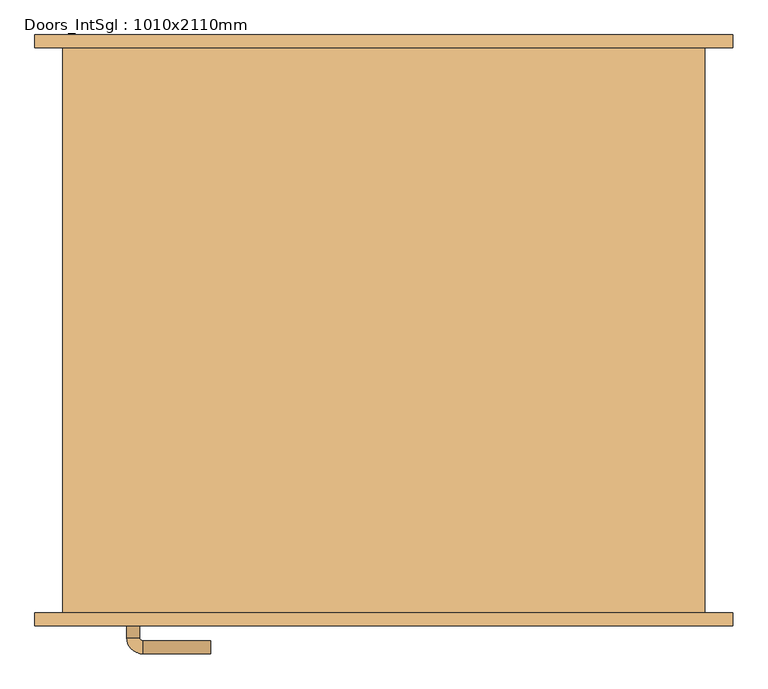
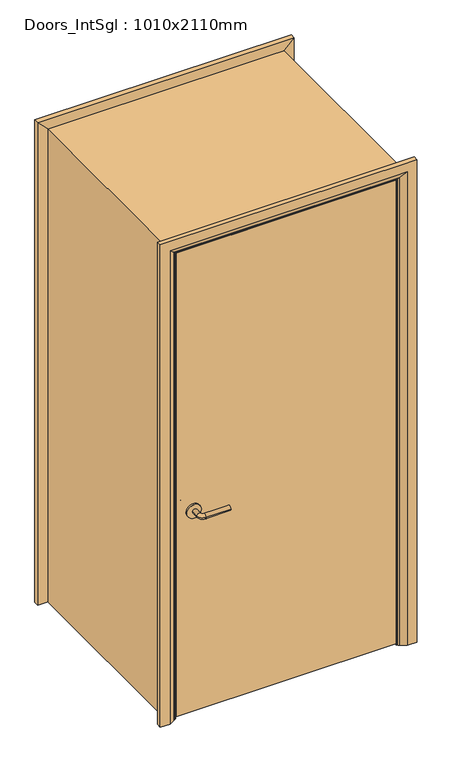
"""IFC4 building model written with IfcOpenShell, lengths in millimetres: door geometry, Doors_IntSgl : 1010x2110mm."""

from ifc_helpers import new_model, si_unit, point, frame, frame_2d, origin, place, context, project, spatial, polyline, circle_curve, ellipse_curve, trimmed, segment, composite_curve, outline, extrude, faceted_brep, source, transform, mapped, element, save
from ifc_brep_helpers import plane_surface, cylinder_surface, revolved_surface, advanced_brep


def doors_intsgl_1010x2110mm_a89b22ba(model_context):
    return source(origin(), model_context, "Body", "SolidModel", [
        advanced_brep(
        [(-398.0, -391.35, 900.0), (-378.0, -391.35, 900.0), (-398.0, -361.35, 900.0), (-378.0, -361.35, 900.0), (-373.0, -356.35, 900.0), (-373.0, -336.35, 900.0), (-268.0, -336.35, 900.0), (-268.0, -356.35, 900.0)],
        [
            (0, 1, circle_curve(frame((-388.0, -391.35, 900.0), z_axis=(0.0, -1.0, 0.0), x_axis=(1.0, 0.0, 0.0)), 10.0)),
            (1, 0, circle_curve(frame((-388.0, -391.35, 900.0), z_axis=(0.0, -1.0, 0.0), x_axis=(1.0, 0.0, 0.0)), 10.0)),
            (0, 2),
            (2, 3, circle_curve(frame((-388.0, -361.35, 900.0), z_axis=(0.0, -1.0, 0.0), x_axis=(1.0, 0.0, 0.0)), 10.0)),
            (3, 1),
            (3, 2, circle_curve(frame((-388.0, -361.35, 900.0), z_axis=(0.0, -1.0, 0.0), x_axis=(1.0, 0.0, 0.0)), 10.0)),
            (4, 3, circle_curve(frame((-373.0, -361.35, 900.0), z_axis=(0.0, 0.0, 1.0), x_axis=(-1.0, 0.0, 0.0)), 5.0)),
            (2, 5, circle_curve(frame((-373.0, -361.35, 900.0), z_axis=(0.0, 0.0, -1.0), x_axis=(-1.0, 0.0, 0.0)), 25.0)),
            (5, 4, circle_curve(frame((-373.0, -346.35, 900.0), z_axis=(-1.0, 0.0, 0.0), x_axis=(0.0, -1.0, 0.0)), 10.0)),
            (4, 5, circle_curve(frame((-373.0, -346.35, 900.0), z_axis=(-1.0, 0.0, 0.0), x_axis=(0.0, -1.0, 0.0)), 10.0)),
            (6, 7, circle_curve(frame((-268.0, -346.35, 900.0), z_axis=(1.0, 0.0, 0.0), x_axis=(0.0, -1.0, 0.0)), 10.0)),
            (7, 6, circle_curve(frame((-268.0, -346.35, 900.0), z_axis=(1.0, 0.0, 0.0), x_axis=(0.0, -1.0, 0.0)), 10.0)),
            (5, 6),
            (7, 4),
        ],
        [
            plane_surface(frame((-388.0, -391.35, 900.0), z_axis=(0.0, -1.0, 0.0), x_axis=(0.0, 0.0, 1.0))),
            cylinder_surface(frame((-388.0, -391.35, 900.0), z_axis=(0.0, -1.0, 0.0), x_axis=(1.0, 0.0, 0.0)), 10.0),
            revolved_surface(trimmed(ellipse_curve(frame((-388.0, -361.35, 900.0), z_axis=(0.0, -1.0, 0.0), x_axis=(1.0, 0.0, 0.0)), 10.0, 10.0), [point((-398.0, -361.35, 900.0))], [point((-378.0, -361.35, 900.0))], True, "CARTESIAN"), (-373.0, -361.35, 900.0), (0.0, 0.0, -1.0)),
            revolved_surface(trimmed(ellipse_curve(frame((-388.0, -361.35, 900.0), z_axis=(0.0, -1.0, 0.0), x_axis=(1.0, 0.0, 0.0)), 10.0, 10.0), [point((-378.0, -361.35, 900.0))], [point((-398.0, -361.35, 900.0))], True, "CARTESIAN"), (-373.0, -361.35, 900.0), (0.0, 0.0, -1.0)),
            plane_surface(frame((-268.0, -346.35, 900.0), z_axis=(1.0, 0.0, 0.0), x_axis=(0.0, 0.0, 1.0))),
            cylinder_surface(frame((-373.0, -346.35, 900.0), z_axis=(-1.0, 0.0, 0.0), x_axis=(0.0, -1.0, 0.0)), 10.0),
        ],
        [
            (0, [[1, 2]]),
            (1, [[-1, 3, 4, 5]]),
            (1, [[-2, -5, 6, -3]]),
            (2, [[7, -4, 8, 9]]),
            (3, [[-8, -6, -7, 10]]),
            (4, [[11, 12]]),
            (5, [[-9, 13, -12, 14]]),
            (5, [[-10, -14, -11, -13]]),
        ],
    ),
        extrude(outline(composite_curve([segment(trimmed(circle_curve(frame_2d((900.0, -390.5)), 30.0), [point((900.0, -420.5))], [point((900.0, -360.5))], False, "CARTESIAN"), True, "CONTINUOUS"), segment(trimmed(circle_curve(frame_2d((900.0, -390.5)), 30.0), [point((900.0, -360.5))], [point((900.0, -420.5))], False, "CARTESIAN"), True, "CONTINUOUS")], self_intersect=False)), frame((0.0, -399.35, 0.0), z_axis=(0.0, 1.0, 0.0), x_axis=(0.0, 0.0, 1.0)), (0.0, 0.0, 1.0), 8.0),
        advanced_brep(
        [(-398.0, -445.35, 900.0), (-378.0, -445.35, 900.0), (-378.0, -475.35, 900.0), (-398.0, -475.35, 900.0), (-373.0, -480.35, 900.0), (-373.0, -500.35, 900.0), (-268.0, -500.35, 900.0), (-268.0, -480.35, 900.0)],
        [
            (0, 1, circle_curve(frame((-388.0, -445.35, 900.0), z_axis=(0.0, 1.0, 0.0), x_axis=(1.0, 0.0, 0.0)), 10.0)),
            (1, 0, circle_curve(frame((-388.0, -445.35, 900.0), z_axis=(0.0, 1.0, 0.0), x_axis=(1.0, 0.0, 0.0)), 10.0)),
            (1, 2),
            (2, 3, circle_curve(frame((-388.0, -475.35, 900.0), z_axis=(0.0, 1.0, 0.0), x_axis=(1.0, 0.0, 0.0)), 10.0)),
            (3, 0),
            (3, 2, circle_curve(frame((-388.0, -475.35, 900.0), z_axis=(0.0, 1.0, 0.0), x_axis=(1.0, 0.0, 0.0)), 10.0)),
            (4, 5, circle_curve(frame((-373.0, -490.35, 900.0), z_axis=(-1.0, 0.0, 0.0), x_axis=(0.0, 1.0, 0.0)), 10.0)),
            (5, 3, circle_curve(frame((-373.0, -475.35, 900.0), z_axis=(0.0, 0.0, -1.0), x_axis=(-1.0, 0.0, 0.0)), 25.0)),
            (2, 4, circle_curve(frame((-373.0, -475.35, 900.0), z_axis=(0.0, 0.0, 1.0), x_axis=(-1.0, 0.0, 0.0)), 5.0)),
            (5, 4, circle_curve(frame((-373.0, -490.35, 900.0), z_axis=(-1.0, 0.0, 0.0), x_axis=(0.0, 1.0, 0.0)), 10.0)),
            (6, 7, circle_curve(frame((-268.0, -490.35, 900.0), z_axis=(1.0, 0.0, 0.0), x_axis=(0.0, 1.0, 0.0)), 10.0)),
            (7, 6, circle_curve(frame((-268.0, -490.35, 900.0), z_axis=(1.0, 0.0, 0.0), x_axis=(0.0, 1.0, 0.0)), 10.0)),
            (4, 7),
            (6, 5),
        ],
        [
            plane_surface(frame((-388.0, -445.35, 900.0), z_axis=(0.0, 1.0, 0.0), x_axis=(0.0, 0.0, 1.0))),
            cylinder_surface(frame((-388.0, -445.35, 900.0), z_axis=(0.0, 1.0, 0.0), x_axis=(1.0, 0.0, 0.0)), 10.0),
            revolved_surface(trimmed(ellipse_curve(frame((-388.0, -475.35, 900.0), z_axis=(0.0, -1.0, 0.0), x_axis=(1.0, 0.0, 0.0)), 10.0, 10.0), [point((-398.0, -475.35, 900.0))], [point((-378.0, -475.35, 900.0))], True, "CARTESIAN"), (-373.0, -475.35, 900.0), (0.0, 0.0, -1.0)),
            revolved_surface(trimmed(ellipse_curve(frame((-388.0, -475.35, 900.0), z_axis=(0.0, -1.0, 0.0), x_axis=(1.0, 0.0, 0.0)), 10.0, 10.0), [point((-378.0, -475.35, 900.0))], [point((-398.0, -475.35, 900.0))], True, "CARTESIAN"), (-373.0, -475.35, 900.0), (0.0, 0.0, -1.0)),
            plane_surface(frame((-268.0, -490.35, 900.0), z_axis=(1.0, 0.0, 0.0), x_axis=(0.0, 0.0, 1.0))),
            cylinder_surface(frame((-373.0, -490.35, 900.0), z_axis=(-1.0, 0.0, 0.0), x_axis=(0.0, 1.0, 0.0)), 10.0),
        ],
        [
            (0, [[1, 2]]),
            (1, [[3, 4, 5, -2]]),
            (1, [[-5, 6, -3, -1]]),
            (2, [[7, 8, -4, 9]]),
            (3, [[10, -9, -6, -8]]),
            (4, [[11, 12]]),
            (5, [[13, -11, 14, -7]]),
            (5, [[-14, -12, -13, -10]]),
        ],
    ),
        extrude(outline(composite_curve([segment(trimmed(circle_curve(frame_2d((900.0, -390.5)), 30.0), [point((900.0, -420.5))], [point((900.0, -360.5))], False, "CARTESIAN"), True, "CONTINUOUS"), segment(trimmed(circle_curve(frame_2d((900.0, -390.5)), 30.0), [point((900.0, -360.5))], [point((900.0, -420.5))], False, "CARTESIAN"), True, "CONTINUOUS")], self_intersect=False)), frame((0.0, -445.35, 0.0), z_axis=(0.0, 1.0, 0.0), x_axis=(0.0, 0.0, 1.0)), (0.0, 0.0, 1.0), 8.0),
        extrude(outline(polyline([(463.0, -399.35), (463.0, -437.35), (-463.0, -437.35), (-463.0, -399.35), (463.0, -399.35)])), frame((0.0, 0.0, 8.0), z_axis=(0.0, 0.0, 1.0), x_axis=(1.0, 0.0, 0.0)), (0.0, 0.0, 1.0), 2060.0),
        advanced_brep(
        [(540.0, -457.35, 0.0), (500.0, -457.35, 0.0), (474.0, -443.35, 0.0), (470.0, -437.35, 0.0), (540.0, -437.35, 0.0), (540.0, -437.35, 2145.0), (540.0, -457.35, 2145.0), (470.0, -437.35, 2075.0), (-470.0, -437.35, 2075.0), (-470.0, -437.35, 0.0), (-540.0, -437.35, 0.0), (-540.0, -437.35, 2145.0), (474.0, -443.35, 2079.0), (500.0, -457.35, 2105.0), (-540.0, -457.35, 2145.0), (-540.0, -457.35, 0.0), (-500.0, -457.35, 0.0), (-500.0, -457.35, 2105.0), (-474.0, -443.35, 2079.0), (-474.0, -443.35, 0.0)],
        [
            (0, 1),
            (1, 2),
            (2, 3, circle_curve(frame((478.0, -436.35, 0.0), z_axis=(0.0, 0.0, -1.0), x_axis=(1.0, 0.0, 0.0)), 8.0622577)),
            (3, 4),
            (4, 0),
            (4, 5),
            (5, 6),
            (6, 0),
            (3, 7),
            (7, 8),
            (8, 9),
            (9, 10),
            (10, 11),
            (11, 5),
            (2, 12),
            (12, 7, ellipse_curve(frame((478.0, -436.35, 2083.0), z_axis=(0.7071067811865475, 0.0, -0.7071067811865475), x_axis=(-0.7071067811865474, 0.0, -0.7071067811865476)), 11.4017543, 8.0622577)),
            (1, 13),
            (13, 12),
            (6, 14),
            (14, 15),
            (15, 16),
            (16, 17),
            (17, 13),
            (11, 14),
            (12, 18),
            (18, 8, ellipse_curve(frame((-478.0, -436.35, 2083.0), z_axis=(0.7071067811865475, 0.0, 0.7071067811865475), x_axis=(0.7071067811865476, 0.0, -0.7071067811865474)), 11.4017543, 8.0622577)),
            (17, 18),
            (15, 10),
            (9, 19, circle_curve(frame((-478.0, -436.35, 0.0), z_axis=(0.0, 0.0, -1.0), x_axis=(-1.0, 0.0, 0.0)), 8.0622577)),
            (19, 16),
            (18, 19),
        ],
        [
            plane_surface(frame((470.0, -437.35, 0.0), z_axis=(0.0, 0.0, -1.0), x_axis=(0.0, 1.0, 0.0))),
            plane_surface(frame((540.0, -457.35, 0.0), z_axis=(1.0, 0.0, 0.0), x_axis=(0.0, 0.0, 1.0))),
            plane_surface(frame((540.0, -437.35, 0.0), z_axis=(0.0, 1.0, 0.0), x_axis=(0.0, 0.0, 1.0))),
            cylinder_surface(frame((478.0, -436.35, 0.0), z_axis=(0.0, 0.0, -1.0), x_axis=(1.0, 0.0, 0.0)), 8.0622577),
            plane_surface(frame((474.0, -443.35, 0.0), z_axis=(-0.4740998230350126, -0.880471099922178, 0.0), x_axis=(0.0, 0.0, 1.0))),
            plane_surface(frame((500.0, -457.35, 0.0), z_axis=(0.0, -1.0, 0.0), x_axis=(0.0, 0.0, 1.0))),
            plane_surface(frame((540.0, -457.35, 2145.0), z_axis=(0.0, 0.0, 1.0), x_axis=(-1.0, 0.0, 0.0))),
            cylinder_surface(frame((470.0, -436.35, 2083.0), z_axis=(1.0, 0.0, 0.0), x_axis=(0.0, 0.0, 1.0)), 8.0622577),
            plane_surface(frame((474.0, -443.35, 2079.0), z_axis=(0.0, -0.8804710999221764, -0.47409982303501536), x_axis=(-1.0, 0.0, 0.0))),
            plane_surface(frame((-470.0, -437.35, 0.0), z_axis=(0.0, 0.0, -1.0), x_axis=(0.0, 1.0, 0.0))),
            plane_surface(frame((-540.0, -457.35, 2145.0), z_axis=(-1.0, 0.0, 0.0), x_axis=(0.0, 0.0, -1.0))),
            cylinder_surface(frame((-478.0, -436.35, 2075.0), z_axis=(0.0, 0.0, 1.0), x_axis=(-1.0, 0.0, 0.0)), 8.0622577),
            plane_surface(frame((-474.0, -443.35, 2079.0), z_axis=(0.47409982303501813, -0.8804710999221749, 0.0), x_axis=(0.0, 0.0, -1.0))),
        ],
        [
            (0, [[1, 2, 3, 4, 5]]),
            (1, [[6, 7, 8, -5]]),
            (2, [[9, 10, 11, 12, 13, 14, -6, -4]]),
            (3, [[15, 16, -9, -3]]),
            (4, [[17, 18, -15, -2]]),
            (5, [[-8, 19, 20, 21, 22, 23, -17, -1]]),
            (6, [[-14, 24, -19, -7]]),
            (7, [[25, 26, -10, -16]]),
            (8, [[-23, 27, -25, -18]]),
            (9, [[28, -12, 29, 30, -21]]),
            (10, [[-13, -28, -20, -24]]),
            (11, [[31, -29, -11, -26]]),
            (12, [[-22, -30, -31, -27]]),
        ],
    ),
        extrude(outline(polyline([(0.0, -446.0), (2051.0, -446.0), (2051.0, 446.0), (0.0, 446.0), (0.0, 465.0), (2070.0, 465.0), (2070.0, -465.0), (0.0, -465.0), (0.0, -446.0)])), frame((0.0, -397.35, 0.0), z_axis=(0.0, 1.0, 0.0), x_axis=(0.0, 0.0, 1.0)), (0.0, 0.0, 1.0), 32.0),
        advanced_brep(
        [(-540.0, 457.35, 0.0), (-500.0, 457.35, 0.0), (-474.0, 443.35, 0.0), (-470.0, 437.35, 0.0), (-540.0, 437.35, 0.0), (-540.0, 437.35, 2145.0), (-540.0, 457.35, 2145.0), (-470.0, 437.35, 2075.0), (-474.0, 443.35, 2079.0), (-500.0, 457.35, 2105.0), (540.0, 437.35, 2145.0), (540.0, 457.35, 2145.0), (470.0, 437.35, 2075.0), (474.0, 443.35, 2079.0), (500.0, 457.35, 2105.0), (540.0, 457.35, 0.0), (540.0, 437.35, 0.0), (470.0, 437.35, 0.0), (474.0, 443.35, 0.0), (500.0, 457.35, 0.0)],
        [
            (0, 1),
            (1, 2),
            (2, 3, circle_curve(frame((-478.0, 436.35, 0.0), z_axis=(0.0, 0.0, -1.0), x_axis=(-1.0, 0.0, 0.0)), 8.0622577)),
            (3, 4),
            (4, 0),
            (4, 5),
            (5, 6),
            (6, 0),
            (3, 7),
            (7, 5),
            (2, 8),
            (8, 7, ellipse_curve(frame((-478.0, 436.35, 2083.0), z_axis=(-0.7071067811865475, 0.0, -0.7071067811865475), x_axis=(0.7071067811865474, 0.0, -0.7071067811865476)), 11.4017543, 8.0622577)),
            (1, 9),
            (9, 8),
            (6, 9),
            (5, 10),
            (10, 11),
            (11, 6),
            (7, 12),
            (12, 10),
            (8, 13),
            (13, 12, ellipse_curve(frame((478.0, 436.35, 2083.0), z_axis=(-0.7071067811865475, 0.0, 0.7071067811865475), x_axis=(-0.7071067811865476, 0.0, -0.7071067811865474)), 11.4017543, 8.0622577)),
            (9, 14),
            (14, 13),
            (11, 14),
            (15, 16),
            (16, 17),
            (17, 18, circle_curve(frame((478.0, 436.35, 0.0), z_axis=(0.0, 0.0, -1.0), x_axis=(1.0, 0.0, 0.0)), 8.0622577)),
            (18, 19),
            (19, 15),
            (10, 16),
            (15, 11),
            (12, 17),
            (13, 18),
            (14, 19),
        ],
        [
            plane_surface(frame((-470.0, 510.1510989, 0.0), z_axis=(0.0, 0.0, -1.0), x_axis=(1.0, 0.0, 0.0))),
            plane_surface(frame((-540.0, 457.35, 0.0), z_axis=(-1.0, 0.0, 0.0), x_axis=(0.0, 0.0, 1.0))),
            plane_surface(frame((-540.0, 437.35, 0.0), z_axis=(0.0, -1.0, 0.0), x_axis=(0.0, 0.0, 1.0))),
            cylinder_surface(frame((-478.0, 436.35, 0.0), z_axis=(0.0, 0.0, -1.0), x_axis=(-1.0, 0.0, 0.0)), 8.0622577),
            plane_surface(frame((-474.0, 443.35, 0.0), z_axis=(0.4740998230350183, 0.8804710999221749, 0.0), x_axis=(0.0, 0.0, 1.0))),
            plane_surface(frame((-500.0, 457.35, 0.0), z_axis=(0.0, 1.0, 0.0), x_axis=(0.0, 0.0, 1.0))),
            plane_surface(frame((-540.0, 457.35, 2145.0), z_axis=(0.0, 0.0, 1.0), x_axis=(1.0, 0.0, 0.0))),
            plane_surface(frame((-540.0, 437.35, 2145.0), z_axis=(0.0, -1.0, 0.0), x_axis=(1.0, 0.0, 0.0))),
            cylinder_surface(frame((-470.0, 436.35, 2083.0), z_axis=(-1.0, 0.0, 0.0), x_axis=(0.0, 0.0, 1.0)), 8.0622577),
            plane_surface(frame((-474.0, 443.35, 2079.0), z_axis=(0.0, 0.8804710999221749, -0.4740998230350183), x_axis=(1.0, 0.0, 0.0))),
            plane_surface(frame((-500.0, 457.35, 2105.0), z_axis=(0.0, 1.0, 0.0), x_axis=(1.0, 0.0, 0.0))),
            plane_surface(frame((470.0, 510.1510989, 0.0), z_axis=(0.0, 0.0, -1.0), x_axis=(-1.0, 0.0, 0.0))),
            plane_surface(frame((540.0, 457.35, 2145.0), z_axis=(1.0, 0.0, 0.0), x_axis=(0.0, 0.0, -1.0))),
            plane_surface(frame((540.0, 437.35, 2145.0), z_axis=(0.0, -1.0, 0.0), x_axis=(0.0, 0.0, -1.0))),
            cylinder_surface(frame((478.0, 436.35, 2075.0), z_axis=(0.0, 0.0, 1.0), x_axis=(1.0, 0.0, 0.0)), 8.0622577),
            plane_surface(frame((474.0, 443.35, 2079.0), z_axis=(-0.4740998230350183, 0.8804710999221749, 0.0), x_axis=(0.0, 0.0, -1.0))),
            plane_surface(frame((500.0, 457.35, 2105.0), z_axis=(0.0, 1.0, 0.0), x_axis=(0.0, 0.0, -1.0))),
        ],
        [
            (0, [[1, 2, 3, 4, 5]]),
            (1, [[6, 7, 8, -5]]),
            (2, [[9, 10, -6, -4]]),
            (3, [[11, 12, -9, -3]]),
            (4, [[13, 14, -11, -2]]),
            (5, [[-8, 15, -13, -1]]),
            (6, [[16, 17, 18, -7]]),
            (7, [[19, 20, -16, -10]]),
            (8, [[21, 22, -19, -12]]),
            (9, [[23, 24, -21, -14]]),
            (10, [[-18, 25, -23, -15]]),
            (11, [[26, 27, 28, 29, 30]]),
            (12, [[31, -26, 32, -17]]),
            (13, [[33, -27, -31, -20]]),
            (14, [[34, -28, -33, -22]]),
            (15, [[35, -29, -34, -24]]),
            (16, [[-32, -30, -35, -25]]),
        ],
    ),
        faceted_brep([(-465.0, -437.35, 0.0), (-497.0, -437.35, 0.0), (-497.0, 437.35, 0.0), (-465.0, 437.35, 0.0), (-465.0, 437.35, 2070.0), (-465.0, -437.35, 2070.0), (-497.0, 437.35, 2102.0), (-497.0, -437.35, 2102.0), (465.0, 437.35, 2070.0), (465.0, -437.35, 2070.0), (497.0, 437.35, 2102.0), (497.0, -437.35, 2102.0), (465.0, -437.35, 0.0), (465.0, 437.35, 0.0), (497.0, 437.35, 0.0), (497.0, -437.35, 0.0)], [[[0, 1, 2, 3]], [[3, 4, 5, 0]], [[2, 6, 4, 3]], [[1, 7, 6, 2]], [[0, 5, 7, 1]], [[4, 8, 9, 5]], [[6, 10, 8, 4]], [[7, 11, 10, 6]], [[5, 9, 11, 7]], [[12, 13, 14, 15]], [[8, 13, 12, 9]], [[10, 14, 13, 8]], [[11, 15, 14, 10]], [[9, 12, 15, 11]]]),
    ])


if __name__ == "__main__":
    model = new_model("IFC4")
    model_context = context("Model", 3, world=origin())
    ifc_project = project(units=[si_unit("LENGTHUNIT", "METRE", prefix="MILLI")], contexts=[model_context])
    site = spatial("IfcSite", under=ifc_project)
    building = spatial("IfcBuilding", under=site)
    placement = place(None, origin())
    doors_intsgl_1010x2110mm_shape = doors_intsgl_1010x2110mm_a89b22ba(model_context)
    element("IfcDoor", 1, ObjectType="Doors_IntSgl : 1010x2110mm", at=placement, inside=building, context=model_context, shape_type="MappedRepresentation", body=[
        mapped(doors_intsgl_1010x2110mm_shape, transform((0.0, 0.0, 0.0), x_axis=(1.0, 0.0, 0.0), y_axis=(0.0, 1.0, 0.0), z_axis=(0.0, 0.0, 1.0))),
    ])
    save(model, "model.ifc")
